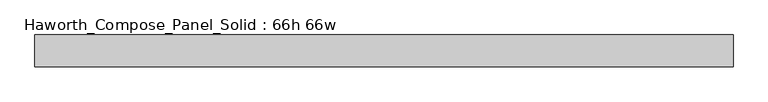
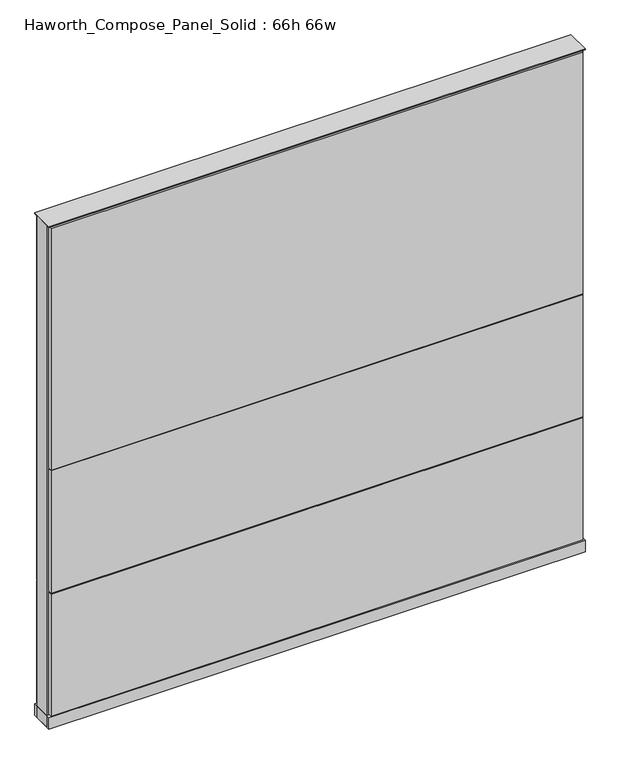
"""IFC4 building model written with IfcOpenShell, lengths in millimetres: furniture geometry, Haworth_Compose_Panel_Solid : 66h 66w."""

from ifc_helpers import new_model, si_unit, point, frame, frame_2d, origin, origin_with_axes, place, context, project, spatial, polyline, circle_curve, trimmed, segment, composite_curve, outline, extrude, source, transform, mapped, element, save


def haworth_compose_panel_solid_66h_66w_84987939(model_context):
    return source(origin(), model_context, "Body", "SweptSolid", [
        extrude(outline(composite_curve([segment(trimmed(circle_curve(frame_2d((-759.5597098, 0.0)), 12.7), [point((-772.2597098, 0.0))], [point((-746.8597098, 0.0))], False, "CARTESIAN"), True, "CONTINUOUS"), segment(trimmed(circle_curve(frame_2d((-759.5597098, 0.0)), 12.7), [point((-746.8597098, 0.0))], [point((-772.2597098, 0.0))], False, "CARTESIAN"), True, "CONTINUOUS")], self_intersect=False)), origin_with_axes(), (0.0, 0.0, 1.0), 12.7),
        extrude(outline(composite_curve([segment(trimmed(circle_curve(frame_2d((764.4402902, 0.0)), 12.7), [point((751.7402902, 0.0))], [point((777.1402902, 0.0))], False, "CARTESIAN"), True, "CONTINUOUS"), segment(trimmed(circle_curve(frame_2d((764.4402902, 0.0)), 12.7), [point((777.1402902, 0.0))], [point((751.7402902, 0.0))], False, "CARTESIAN"), True, "CONTINUOUS")], self_intersect=False)), origin_with_axes(), (0.0, 0.0, 1.0), 12.7),
        extrude(outline(polyline([(834.2902902, 38.1), (834.2902902, 25.4), (-829.4097098, 25.4), (-829.4097098, 38.1), (834.2902902, 38.1)])), frame((0.0, 0.0, 866.775), z_axis=(0.0, 0.0, 1.0), x_axis=(1.0, 0.0, 0.0)), (0.0, 0.0, 1.0), 796.925),
        extrude(outline(polyline([(834.2902902, 38.1), (834.2902902, 25.4), (-829.4097098, 25.4), (-829.4097098, 38.1), (834.2902902, 38.1)])), frame((0.0, 0.0, 460.375), z_axis=(0.0, 0.0, 1.0), x_axis=(1.0, 0.0, 0.0)), (0.0, 0.0, 1.0), 403.225),
        extrude(outline(polyline([(834.2902902, 38.1), (834.2902902, 25.4), (-829.4097098, 25.4), (-829.4097098, 38.1), (834.2902902, 38.1)])), frame((0.0, 0.0, 53.975), z_axis=(0.0, 0.0, 1.0), x_axis=(1.0, 0.0, 0.0)), (0.0, 0.0, 1.0), 403.225),
        extrude(outline(polyline([(834.2902902, -38.1), (-829.4097098, -38.1), (-829.4097098, -25.4), (834.2902902, -25.4), (834.2902902, -38.1)])), frame((0.0, 0.0, 866.775), z_axis=(0.0, 0.0, 1.0), x_axis=(1.0, 0.0, 0.0)), (0.0, 0.0, 1.0), 796.925),
        extrude(outline(polyline([(834.2902902, -38.1), (-829.4097098, -38.1), (-829.4097098, -25.4), (834.2902902, -25.4), (834.2902902, -38.1)])), frame((0.0, 0.0, 460.375), z_axis=(0.0, 0.0, 1.0), x_axis=(1.0, 0.0, 0.0)), (0.0, 0.0, 1.0), 403.225),
        extrude(outline(polyline([(834.2902902, -38.1), (-829.4097098, -38.1), (-829.4097098, -25.4), (834.2902902, -25.4), (834.2902902, -38.1)])), frame((0.0, 0.0, 53.975), z_axis=(0.0, 0.0, 1.0), x_axis=(1.0, 0.0, 0.0)), (0.0, 0.0, 1.0), 403.225),
        extrude(outline(polyline([(840.6402902, 25.4), (840.6402902, -25.4), (-835.7597098, -25.4), (-835.7597098, 25.4), (840.6402902, 25.4)])), frame((0.0, 0.0, 12.7), z_axis=(0.0, 0.0, 1.0), x_axis=(1.0, 0.0, 0.0)), (0.0, 0.0, 1.0), 1657.35),
        extrude(outline(polyline([(-835.7597098, -38.1), (-835.7597098, 38.1), (840.6402902, 38.1), (840.6402902, -38.1), (-835.7597098, -38.1)])), frame((0.0, 0.0, 12.7), z_axis=(0.0, 0.0, 1.0), x_axis=(1.0, 0.0, 0.0)), (0.0, 0.0, 1.0), 38.1),
        extrude(outline(polyline([(-835.7597098, -38.1), (-835.7597098, 38.1), (840.6402902, 38.1), (840.6402902, -38.1), (-835.7597098, -38.1)])), frame((0.0, 0.0, 1670.05), z_axis=(0.0, 0.0, 1.0), x_axis=(1.0, 0.0, 0.0)), (0.0, 0.0, 1.0), 3.175),
    ])


if __name__ == "__main__":
    model = new_model("IFC4")
    model_context = context("Model", 3, world=origin())
    ifc_project = project(units=[si_unit("LENGTHUNIT", "METRE", prefix="MILLI")], contexts=[model_context])
    site = spatial("IfcSite", under=ifc_project)
    building = spatial("IfcBuilding", under=site)
    placement = place(None, origin())
    haworth_compose_panel_solid_66h_66w_shape = haworth_compose_panel_solid_66h_66w_84987939(model_context)
    element("IfcFurniture", 1, ObjectType="Haworth_Compose_Panel_Solid : 66h 66w", at=placement, inside=building, context=model_context, shape_type="MappedRepresentation", body=[
        mapped(haworth_compose_panel_solid_66h_66w_shape, transform((0.0, 0.0, 0.0), x_axis=(1.0, 0.0, 0.0), y_axis=(0.0, 1.0, 0.0), z_axis=(0.0, 0.0, 1.0))),
    ])
    save(model, "model.ifc")
